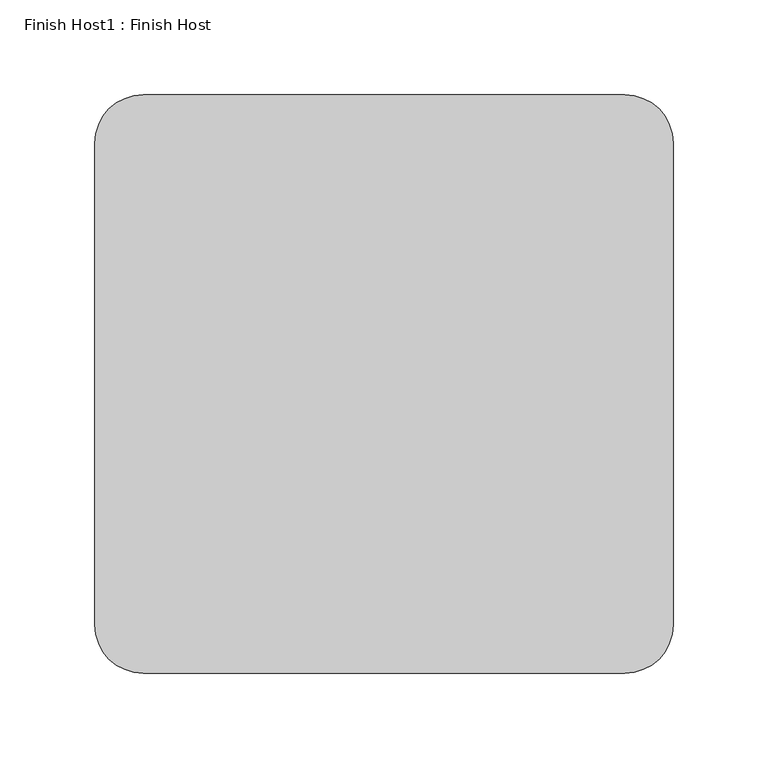
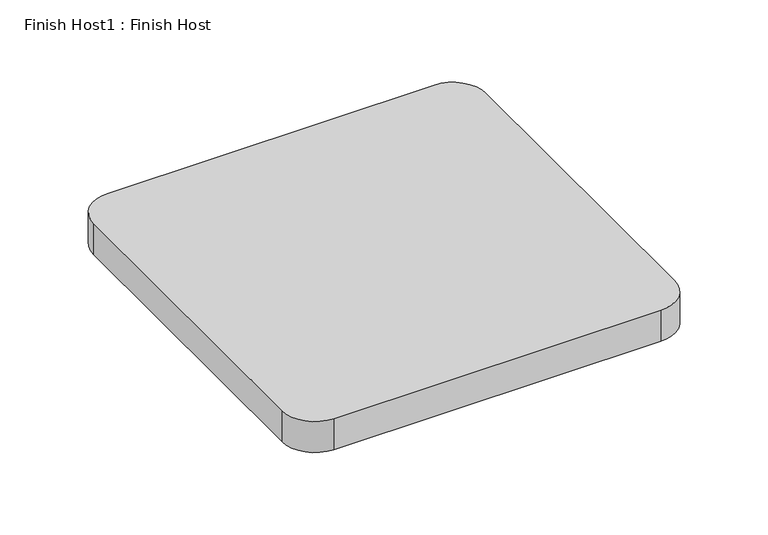
"""IFC4 building model written with IfcOpenShell, lengths in millimetres: proxy geometry, Finish Host1 : Finish Host."""

from ifc_helpers import new_model, si_unit, point, frame_2d, origin, origin_with_axes, place, context, project, spatial, polyline, circle_curve, trimmed, segment, composite_curve, outline, extrude, source, transform, mapped, element, save


def finish_host1_finish_host_5be427ba(model_context):
    return source(origin(), model_context, "Body", "SweptSolid", [
        extrude(outline(composite_curve([segment(polyline([(1191.0934426, 3188.0122951), (1191.0934426, 3442.0122951)]), True, "CONTINUOUS"), segment(trimmed(circle_curve(frame_2d((1216.4934426, 3442.0122951)), 25.4), [point((1191.0934426, 3442.0122951))], [point((1216.4934426, 3467.4122951))], False, "CARTESIAN"), True, "CONTINUOUS"), segment(polyline([(1216.4934426, 3467.4122951), (1470.4934426, 3467.4122951)]), True, "CONTINUOUS"), segment(trimmed(circle_curve(frame_2d((1470.4934426, 3442.0122951)), 25.4), [point((1470.4934426, 3467.4122951))], [point((1495.8934426, 3442.0122951))], False, "CARTESIAN"), True, "CONTINUOUS"), segment(polyline([(1495.8934426, 3442.0122951), (1495.8934426, 3188.0122951)]), True, "CONTINUOUS"), segment(trimmed(circle_curve(frame_2d((1470.4934426, 3188.0122951)), 25.4), [point((1495.8934426, 3188.0122951))], [point((1470.4934426, 3162.6122951))], False, "CARTESIAN"), True, "CONTINUOUS"), segment(polyline([(1470.4934426, 3162.6122951), (1216.4934426, 3162.6122951)]), True, "CONTINUOUS"), segment(trimmed(circle_curve(frame_2d((1216.4934426, 3188.0122951)), 25.4), [point((1216.4934426, 3162.6122951))], [point((1191.0934426, 3188.0122951))], False, "CARTESIAN"), True, "CONTINUOUS")], self_intersect=False)), origin_with_axes(), (0.0, 0.0, 1.0), 25.4),
    ])


if __name__ == "__main__":
    model = new_model("IFC4")
    model_context = context("Model", 3, world=origin())
    ifc_project = project(units=[si_unit("LENGTHUNIT", "METRE", prefix="MILLI")], contexts=[model_context])
    site = spatial("IfcSite", under=ifc_project)
    building = spatial("IfcBuilding", under=site)
    placement = place(None, origin())
    finish_host1_finish_host_shape = finish_host1_finish_host_5be427ba(model_context)
    element("IfcBuildingElementProxy", 1, Name="Finish Host1 : Finish Host", ObjectType="Finish Host1 : Finish Host", at=placement, inside=building, context=model_context, shape_type="MappedRepresentation", body=[
        mapped(finish_host1_finish_host_shape, transform((0.0, 0.0, 0.0), x_axis=(1.0, 0.0, 0.0), y_axis=(0.0, 1.0, 0.0), z_axis=(0.0, 0.0, 1.0))),
    ])
    save(model, "model.ifc")
